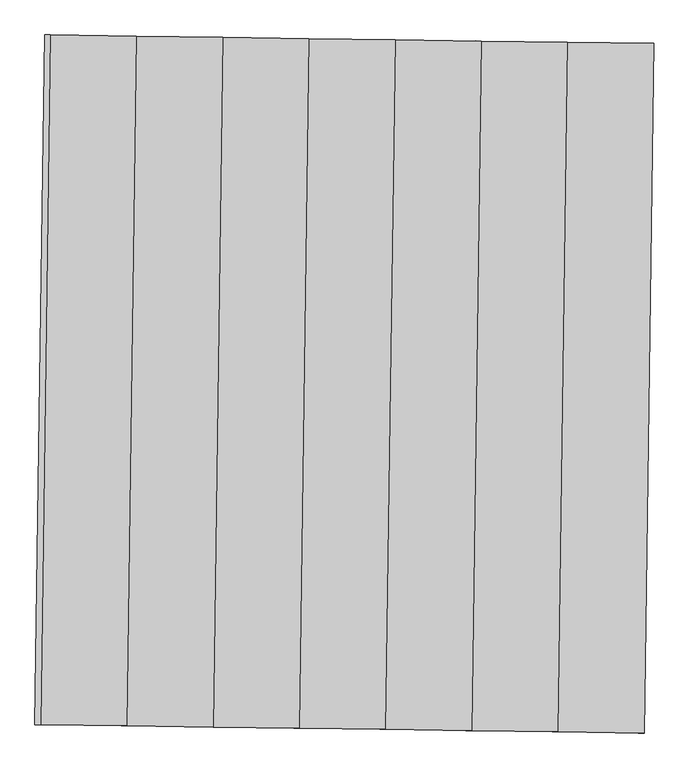
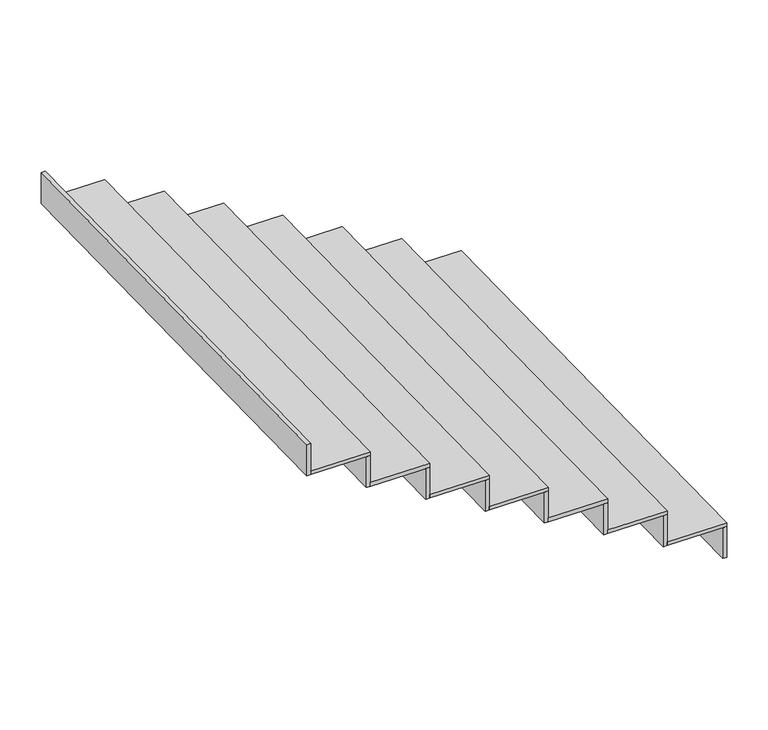
"""IFC4 building model written with IfcOpenShell, lengths in millimetres: stair flight geometry."""

from ifc_helpers import new_model, si_unit, frame, origin, place, context, project, spatial, polyline, outline, extrude, source, transform, mapped, element, save


def stair_flight_056b93ec(model_context):
    return source(origin(), model_context, "Body", "SweptSolid", [
        extrude(outline(polyline([(-138029.7128166, 88143.2270756), (-138009.7147661, 88142.947832), (-138043.2239989, 85743.1817744), (-138063.2220494, 85743.461018), (-138029.7128166, 88143.2270756)])), frame((0.0, 0.0, 7278.5), z_axis=(0.0, 0.0, 1.0), x_axis=(1.0, 0.0, 0.0)), (0.0, 0.0, 1.0), 166.25),
        extrude(outline(polyline([(-138343.1947561, 85747.3704285), (-138309.6855233, 88147.1364861), (-138009.7147661, 88142.947832), (-138043.2239989, 85743.1817744), (-138343.1947561, 85747.3704285)])), frame((0.0, 0.0, 7444.75), z_axis=(0.0, 0.0, 1.0), x_axis=(1.0, 0.0, 0.0)), (0.0, 0.0, 1.0), 20.0),
        extrude(outline(polyline([(-138329.6835738, 88147.4157297), (-138309.6855233, 88147.1364861), (-138343.1947561, 85747.3704285), (-138363.1928066, 85747.6496721), (-138329.6835738, 88147.4157297)])), frame((0.0, 0.0, 7444.75), z_axis=(0.0, 0.0, 1.0), x_axis=(1.0, 0.0, 0.0)), (0.0, 0.0, 1.0), 166.25),
        extrude(outline(polyline([(-138643.1655133, 85751.5590826), (-138609.6562805, 88151.3251402), (-138309.6855233, 88147.1364861), (-138343.1947561, 85747.3704285), (-138643.1655133, 85751.5590826)])), frame((0.0, 0.0, 7611.0), z_axis=(0.0, 0.0, 1.0), x_axis=(1.0, 0.0, 0.0)), (0.0, 0.0, 1.0), 20.0),
        extrude(outline(polyline([(-138629.654331, 88151.6043838), (-138609.6562805, 88151.3251402), (-138643.1655133, 85751.5590826), (-138663.1635638, 85751.8383262), (-138629.654331, 88151.6043838)])), frame((0.0, 0.0, 7611.0), z_axis=(0.0, 0.0, 1.0), x_axis=(1.0, 0.0, 0.0)), (0.0, 0.0, 1.0), 166.25),
        extrude(outline(polyline([(-138943.1362705, 85755.7477367), (-138909.6270377, 88155.5137943), (-138609.6562805, 88151.3251402), (-138643.1655133, 85751.5590826), (-138943.1362705, 85755.7477367)])), frame((0.0, 0.0, 7777.25), z_axis=(0.0, 0.0, 1.0), x_axis=(1.0, 0.0, 0.0)), (0.0, 0.0, 1.0), 20.0),
        extrude(outline(polyline([(-138929.6250882, 88155.7930379), (-138909.6270377, 88155.5137943), (-138943.1362705, 85755.7477367), (-138963.134321, 85756.0269803), (-138929.6250882, 88155.7930379)])), frame((0.0, 0.0, 7777.25), z_axis=(0.0, 0.0, 1.0), x_axis=(1.0, 0.0, 0.0)), (0.0, 0.0, 1.0), 166.25),
        extrude(outline(polyline([(-139243.1070277, 85759.9363908), (-139209.5977949, 88159.7024484), (-138909.6270377, 88155.5137943), (-138943.1362705, 85755.7477367), (-139243.1070277, 85759.9363908)])), frame((0.0, 0.0, 7943.5), z_axis=(0.0, 0.0, 1.0), x_axis=(1.0, 0.0, 0.0)), (0.0, 0.0, 1.0), 20.0),
        extrude(outline(polyline([(-139229.5958454, 88159.981692), (-139209.5977949, 88159.7024484), (-139243.1070277, 85759.9363908), (-139263.1050782, 85760.2156344), (-139229.5958454, 88159.981692)])), frame((0.0, 0.0, 7943.5), z_axis=(0.0, 0.0, 1.0), x_axis=(1.0, 0.0, 0.0)), (0.0, 0.0, 1.0), 166.25),
        extrude(outline(polyline([(-139543.0777849, 85764.1250449), (-139509.5685521, 88163.8911025), (-139209.5977949, 88159.7024484), (-139243.1070277, 85759.9363908), (-139543.0777849, 85764.1250449)])), frame((0.0, 0.0, 8109.75), z_axis=(0.0, 0.0, 1.0), x_axis=(1.0, 0.0, 0.0)), (0.0, 0.0, 1.0), 20.0),
        extrude(outline(polyline([(-139529.5666026, 88164.1703461), (-139509.5685521, 88163.8911025), (-139543.0777849, 85764.1250449), (-139563.0758354, 85764.4042885), (-139529.5666026, 88164.1703461)])), frame((0.0, 0.0, 8109.75), z_axis=(0.0, 0.0, 1.0), x_axis=(1.0, 0.0, 0.0)), (0.0, 0.0, 1.0), 166.25),
        extrude(outline(polyline([(-139843.0485421, 85768.313699), (-139809.5393093, 88168.0797566), (-139509.5685521, 88163.8911025), (-139543.0777849, 85764.1250449), (-139843.0485421, 85768.313699)])), frame((0.0, 0.0, 8276.0), z_axis=(0.0, 0.0, 1.0), x_axis=(1.0, 0.0, 0.0)), (0.0, 0.0, 1.0), 20.0),
        extrude(outline(polyline([(-139829.5373598, 88168.3590002), (-139809.5393093, 88168.0797566), (-139843.0485421, 85768.313699), (-139863.0465926, 85768.5929426), (-139829.5373598, 88168.3590002)])), frame((0.0, 0.0, 8276.0), z_axis=(0.0, 0.0, 1.0), x_axis=(1.0, 0.0, 0.0)), (0.0, 0.0, 1.0), 166.25),
        extrude(outline(polyline([(-140129.508117, 88172.5476543), (-140109.5100665, 88172.2684107), (-140143.0192993, 85772.5023531), (-140163.0173498, 85772.7815967), (-140129.508117, 88172.5476543)])), frame((0.0, 0.0, 8442.25), z_axis=(0.0, 0.0, 1.0), x_axis=(1.0, 0.0, 0.0)), (0.0, 0.0, 1.0), 166.25),
        extrude(outline(polyline([(-140143.0192993, 85772.5023531), (-140109.5100665, 88172.2684107), (-139809.5393093, 88168.0797566), (-139843.0485421, 85768.313699), (-140143.0192993, 85772.5023531)])), frame((0.0, 0.0, 8442.25), z_axis=(0.0, 0.0, 1.0), x_axis=(1.0, 0.0, 0.0)), (0.0, 0.0, 1.0), 20.0),
    ])


if __name__ == "__main__":
    model = new_model("IFC4")
    model_context = context("Model", 3, world=origin())
    ifc_project = project(units=[si_unit("LENGTHUNIT", "METRE", prefix="MILLI")], contexts=[model_context])
    site = spatial("IfcSite", under=ifc_project)
    building = spatial("IfcBuilding", under=site)
    placement = place(None, origin())
    stair_flight_shape = stair_flight_056b93ec(model_context)
    element("IfcStairFlight", 1, at=placement, inside=building, context=model_context, shape_type="MappedRepresentation", body=[
        mapped(stair_flight_shape, transform((0.0, 0.0, 0.0), x_axis=(1.0, 0.0, 0.0), y_axis=(0.0, 1.0, 0.0), z_axis=(0.0, 0.0, 1.0))),
    ])
    save(model, "model.ifc")
